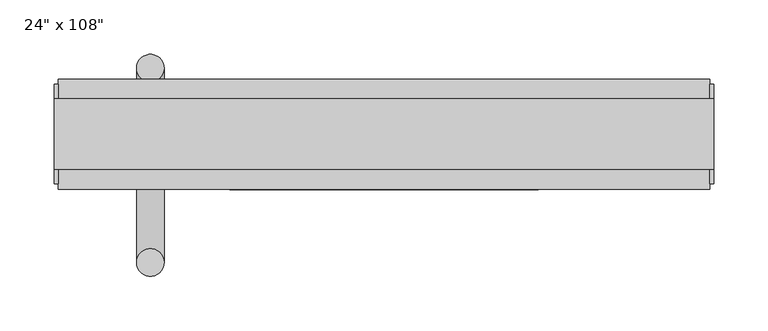
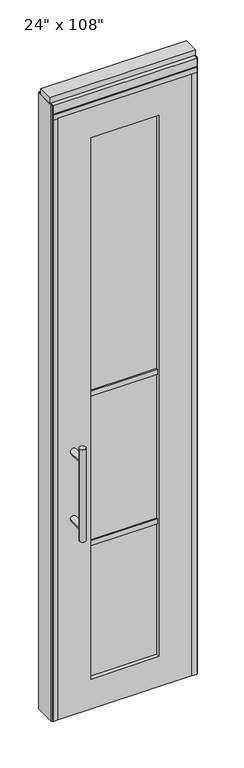
"""IFC4 building model written with IfcOpenShell, lengths in millimetres: furniture geometry."""

from ifc_helpers import new_model, si_unit, frame, origin, origin_with_axes, place, context, project, spatial, polyline, circle_curve, ellipse_curve, outline, extrude, source, transform, mapped, element, save
from ifc_brep_helpers import plane_surface, cylinder_surface, advanced_brep


def furniture_c3a92f02(model_context):
    return source(origin(), model_context, "Body", "SolidModel", [
        advanced_brep(
        [(-288.6365229, 56.6962784, 1219.2), (-263.2365229, 56.6962784, 1219.2), (-288.6365229, 56.6962784, 812.8), (-263.2365229, 56.6962784, 812.8), (-263.2365229, 56.6962784, 1164.336), (-263.2365229, 56.6962784, 867.664), (-288.6365229, 56.6962784, 867.664), (-288.6365229, 56.6962784, 1164.336), (-288.6365229, -10.8677216, 1164.336), (-263.2365229, -10.8677216, 1164.336), (-288.6365229, -10.8677216, 867.664), (-263.2365229, -10.8677216, 867.664)],
        [
            (0, 1, circle_curve(frame((-275.9365229, 56.6962784, 1219.2), z_axis=(0.0, 0.0, 1.0), x_axis=(1.0, 0.0, 0.0)), 12.7)),
            (1, 0, circle_curve(frame((-275.9365229, 56.6962784, 1219.2), z_axis=(0.0, 0.0, 1.0), x_axis=(1.0, 0.0, 0.0)), 12.7)),
            (2, 3, circle_curve(frame((-275.9365229, 56.6962784, 812.8), z_axis=(0.0, 0.0, -1.0), x_axis=(1.0, 0.0, 0.0)), 12.7)),
            (3, 2, circle_curve(frame((-275.9365229, 56.6962784, 812.8), z_axis=(0.0, 0.0, -1.0), x_axis=(1.0, 0.0, 0.0)), 12.7)),
            (1, 4),
            (4, 5),
            (5, 3),
            (2, 6),
            (6, 7),
            (7, 0),
            (6, 5, ellipse_curve(frame((-275.9365229, 56.6962784, 867.664), z_axis=(0.0, 0.707106781186565, 0.70710678118653), x_axis=(0.0, -0.70710678118653, 0.707106781186565)), 17.9605122, 12.7)),
            (4, 7, ellipse_curve(frame((-275.9365229, 56.6962784, 1164.336), z_axis=(0.0, 0.70710678118653, -0.7071067811865649), x_axis=(0.0, 0.7071067811865648, 0.7071067811865301)), 17.9605122, 12.7)),
            (7, 4, ellipse_curve(frame((-275.9365229, 56.6962784, 1164.336), z_axis=(0.0, 0.707106781186565, 0.70710678118653), x_axis=(0.0, -0.70710678118653, 0.707106781186565)), 17.9605122, 12.7)),
            (5, 6, ellipse_curve(frame((-275.9365229, 56.6962784, 867.664), z_axis=(0.0, 0.70710678118653, -0.7071067811865649), x_axis=(0.0, 0.7071067811865648, 0.7071067811865301)), 17.9605122, 12.7)),
            (8, 9, circle_curve(frame((-275.9365229, -10.8677216, 1164.336), z_axis=(0.0, -1.0, 0.0), x_axis=(1.0, 0.0, 0.0)), 12.7)),
            (9, 8, circle_curve(frame((-275.9365229, -10.8677216, 1164.336), z_axis=(0.0, -1.0, 0.0), x_axis=(1.0, 0.0, 0.0)), 12.7)),
            (8, 7),
            (4, 9),
            (10, 11, circle_curve(frame((-275.9365229, -10.8677216, 867.664), z_axis=(0.0, -1.0, 0.0), x_axis=(1.0, 0.0, 0.0)), 12.7)),
            (11, 10, circle_curve(frame((-275.9365229, -10.8677216, 867.664), z_axis=(0.0, -1.0, 0.0), x_axis=(1.0, 0.0, 0.0)), 12.7)),
            (10, 6),
            (5, 11),
        ],
        [
            plane_surface(frame((-263.2365229, 56.6962784, 1219.2), z_axis=(0.0, 0.0, 1.0), x_axis=(0.0, -1.0, 0.0))),
            plane_surface(frame((-263.2365229, 56.6962784, 812.8), z_axis=(0.0, 0.0, -1.0), x_axis=(0.0, 1.0, 0.0))),
            cylinder_surface(frame((-275.9365229, 56.6962784, 812.8), z_axis=(0.0, 0.0, 1.0), x_axis=(1.0, 0.0, 0.0)), 12.7),
            plane_surface(frame((-263.2365229, -10.8677216, 1164.336), z_axis=(0.0, -1.0, 0.0), x_axis=(0.0, 0.0, -1.0))),
            cylinder_surface(frame((-275.9365229, -10.8677216, 1164.336), z_axis=(0.0, 1.0, 0.0), x_axis=(1.0, 0.0, 0.0)), 12.7),
            plane_surface(frame((-263.2365229, -10.8677216, 867.664), z_axis=(0.0, -1.0, 0.0), x_axis=(0.0, 0.0, -1.0))),
            cylinder_surface(frame((-275.9365229, -10.8677216, 867.664), z_axis=(0.0, 1.0, 0.0), x_axis=(1.0, 0.0, 0.0)), 12.7),
        ],
        [
            (0, [[1, 2]]),
            (1, [[3, 4]]),
            (2, [[5, 6, 7, -3, 8, 9, 10, -2]]),
            (2, [[-9, 11, -6, 12]]),
            (2, [[-10, 13, -5, -1]]),
            (2, [[-7, 14, -8, -4]]),
            (3, [[15, 16]]),
            (4, [[17, -12, 18, -15]]),
            (4, [[-18, -13, -17, -16]]),
            (5, [[19, 20]]),
            (6, [[21, -14, 22, -19]]),
            (6, [[-22, -11, -21, -20]]),
        ],
    ),
        advanced_brep(
        [(-288.6365229, -122.8817216, 1219.2), (-263.2365229, -122.8817216, 1219.2), (-288.6365229, -122.8817216, 812.8), (-263.2365229, -122.8817216, 812.8), (-288.6365229, -122.8817216, 1164.336), (-288.6365229, -122.8817216, 867.664), (-263.2365229, -122.8817216, 867.664), (-263.2365229, -122.8817216, 1164.336), (-288.6365229, -55.3177216, 1164.336), (-263.2365229, -55.3177216, 1164.336), (-288.6365229, -55.3177216, 867.664), (-263.2365229, -55.3177216, 867.664)],
        [
            (0, 1, circle_curve(frame((-275.9365229, -122.8817216, 1219.2), z_axis=(0.0, 0.0, 1.0), x_axis=(1.0, 0.0, 0.0)), 12.7)),
            (1, 0, circle_curve(frame((-275.9365229, -122.8817216, 1219.2), z_axis=(0.0, 0.0, 1.0), x_axis=(1.0, 0.0, 0.0)), 12.7)),
            (2, 3, circle_curve(frame((-275.9365229, -122.8817216, 812.8), z_axis=(0.0, 0.0, -1.0), x_axis=(1.0, 0.0, 0.0)), 12.7)),
            (3, 2, circle_curve(frame((-275.9365229, -122.8817216, 812.8), z_axis=(0.0, 0.0, -1.0), x_axis=(1.0, 0.0, 0.0)), 12.7)),
            (0, 4),
            (4, 5),
            (5, 2),
            (3, 6),
            (6, 7),
            (7, 1),
            (7, 4, ellipse_curve(frame((-275.9365229, -122.8817216, 1164.336), z_axis=(0.0, -0.707106781186565, 0.70710678118653), x_axis=(0.0, 0.70710678118653, 0.707106781186565)), 17.9605122, 12.7)),
            (5, 6, ellipse_curve(frame((-275.9365229, -122.8817216, 867.664), z_axis=(0.0, -0.70710678118653, -0.7071067811865649), x_axis=(0.0, -0.7071067811865648, 0.7071067811865301)), 17.9605122, 12.7)),
            (4, 7, ellipse_curve(frame((-275.9365229, -122.8817216, 1164.336), z_axis=(0.0, -0.70710678118653, -0.7071067811865649), x_axis=(0.0, -0.7071067811865648, 0.7071067811865301)), 17.9605122, 12.7)),
            (6, 5, ellipse_curve(frame((-275.9365229, -122.8817216, 867.664), z_axis=(0.0, -0.707106781186565, 0.70710678118653), x_axis=(0.0, 0.70710678118653, 0.707106781186565)), 17.9605122, 12.7)),
            (8, 9, circle_curve(frame((-275.9365229, -55.3177216, 1164.336), z_axis=(0.0, 1.0, 0.0), x_axis=(1.0, 0.0, 0.0)), 12.7)),
            (9, 8, circle_curve(frame((-275.9365229, -55.3177216, 1164.336), z_axis=(0.0, 1.0, 0.0), x_axis=(1.0, 0.0, 0.0)), 12.7)),
            (9, 7),
            (4, 8),
            (10, 11, circle_curve(frame((-275.9365229, -55.3177216, 867.664), z_axis=(0.0, 1.0, 0.0), x_axis=(1.0, 0.0, 0.0)), 12.7)),
            (11, 10, circle_curve(frame((-275.9365229, -55.3177216, 867.664), z_axis=(0.0, 1.0, 0.0), x_axis=(1.0, 0.0, 0.0)), 12.7)),
            (11, 6),
            (5, 10),
        ],
        [
            plane_surface(frame((-263.2365229, -122.8817216, 1219.2), z_axis=(0.0, 0.0, 1.0), x_axis=(0.0, 1.0, 0.0))),
            plane_surface(frame((-263.2365229, -122.8817216, 812.8), z_axis=(0.0, 0.0, -1.0), x_axis=(0.0, -1.0, 0.0))),
            cylinder_surface(frame((-275.9365229, -122.8817216, 812.8), z_axis=(0.0, 0.0, 1.0), x_axis=(1.0, 0.0, 0.0)), 12.7),
            plane_surface(frame((-263.2365229, -55.3177216, 1164.336), z_axis=(0.0, 1.0, 0.0), x_axis=(0.0, 0.0, -1.0))),
            cylinder_surface(frame((-275.9365229, -55.3177216, 1164.336), z_axis=(0.0, -1.0, 0.0), x_axis=(1.0, 0.0, 0.0)), 12.7),
            plane_surface(frame((-263.2365229, -55.3177216, 867.664), z_axis=(0.0, 1.0, 0.0), x_axis=(0.0, 0.0, -1.0))),
            cylinder_surface(frame((-275.9365229, -55.3177216, 867.664), z_axis=(0.0, -1.0, 0.0), x_axis=(1.0, 0.0, 0.0)), 12.7),
        ],
        [
            (0, [[1, 2]]),
            (1, [[3, 4]]),
            (2, [[-1, 5, 6, 7, -4, 8, 9, 10]]),
            (2, [[-2, -10, 11, -5]]),
            (2, [[-3, -7, 12, -8]]),
            (2, [[13, -9, 14, -6]]),
            (3, [[15, 16]]),
            (4, [[-16, 17, -13, 18]]),
            (4, [[-15, -18, -11, -17]]),
            (5, [[19, 20]]),
            (6, [[-20, 21, -12, 22]]),
            (6, [[-19, -22, -14, -21]]),
        ],
    ),
        extrude(outline(polyline([(-202.6575229, -44.2052216), (-202.6575229, -21.9802216), (82.5844771, -21.9802216), (82.5844771, -44.2052216), (-202.6575229, -44.2052216)])), frame((0.0, 0.0, 1371.6), z_axis=(0.0, 0.0, 1.0), x_axis=(1.0, 0.0, 0.0)), (0.0, 0.0, 1.0), 22.225),
        extrude(outline(polyline([(-202.6575229, -44.2052216), (-202.6575229, -21.9802216), (82.5844771, -21.9802216), (82.5844771, -44.2052216), (-202.6575229, -44.2052216)])), frame((0.0, 0.0, 711.2), z_axis=(0.0, 0.0, 1.0), x_axis=(1.0, 0.0, 0.0)), (0.0, 0.0, 1.0), 22.225),
        extrude(outline(polyline([(82.5844771, -38.1727216), (-202.6575229, -38.1727216), (-202.6575229, -28.0127216), (82.5844771, -28.0127216), (82.5844771, -38.1727216)])), frame((0.0, 0.0, 132.969), z_axis=(0.0, 0.0, 1.0), x_axis=(1.0, 0.0, 0.0)), (0.0, 0.0, 1.0), 2388.362),
        extrude(outline(polyline([(2654.3, 218.6014771), (2654.3, -338.6745229), (0.0, -338.6745229), (0.0, 218.6014771), (2654.3, 218.6014771)]), holes=[polyline([(2521.331, 82.5844771), (132.969, 82.5844771), (132.969, -202.6575229), (2521.331, -202.6575229), (2521.331, 82.5844771)])]), frame((0.0, -55.3177216, 0.0), z_axis=(0.0, 1.0, 0.0), x_axis=(0.0, 0.0, 1.0)), (0.0, 0.0, 1.0), 44.45),
        extrude(outline(polyline([(-360.8995229, -55.3177216), (-360.8995229, 46.2822784), (240.8264771, 46.2822784), (240.8264771, -55.3177216), (-360.8995229, -55.3177216)])), frame((0.0, 0.0, 2654.3), z_axis=(0.0, 0.0, 1.0), x_axis=(1.0, 0.0, 0.0)), (0.0, 0.0, 1.0), 22.225),
        extrude(outline(polyline([(244.7634771, -50.3647216), (240.8264771, -50.3647216), (240.8264771, 41.3292784), (244.7634771, 41.3292784), (244.7634771, -50.3647216)])), origin_with_axes(), (0.0, 0.0, 1.0), 2717.8),
        extrude(outline(polyline([(-364.8365229, -50.3647216), (-364.8365229, 41.3292784), (-360.8995229, 41.3292784), (-360.8995229, -50.3647216), (-364.8365229, -50.3647216)])), origin_with_axes(), (0.0, 0.0, 1.0), 2717.8),
        extrude(outline(polyline([(218.6014771, -55.3177216), (218.6014771, 46.2822784), (240.8264771, 46.2822784), (240.8264771, -55.3177216), (218.6014771, -55.3177216)])), origin_with_axes(), (0.0, 0.0, 1.0), 2654.3),
        extrude(outline(polyline([(-338.6745229, -55.3177216), (-360.8995229, -55.3177216), (-360.8995229, 46.2822784), (-338.6745229, 46.2822784), (-338.6745229, -55.3177216)])), origin_with_axes(), (0.0, 0.0, 1.0), 2654.3),
        extrude(outline(polyline([(-55.3177216, 2681.478), (-55.3177216, 2717.8), (46.2822784, 2717.8), (46.2822784, 2681.478), (41.3292784, 2681.478), (41.3292784, 2676.525), (-50.3647216, 2676.525), (-50.3647216, 2681.478), (-55.3177216, 2681.478)])), frame((-360.8995229, 0.0, 0.0), z_axis=(1.0, 0.0, 0.0), x_axis=(0.0, 1.0, 0.0)), (0.0, 0.0, 1.0), 601.726),
        extrude(outline(polyline([(-364.8365229, -37.0297216), (-364.8365229, 27.9942784), (244.7634771, 27.9942784), (244.7634771, -37.0297216), (-364.8365229, -37.0297216)])), frame((0.0, 0.0, 2717.8), z_axis=(0.0, 0.0, 1.0), x_axis=(1.0, 0.0, 0.0)), (0.0, 0.0, 1.0), 25.4),
    ])


if __name__ == "__main__":
    model = new_model("IFC4")
    model_context = context("Model", 3, world=origin())
    ifc_project = project(units=[si_unit("LENGTHUNIT", "METRE", prefix="MILLI")], contexts=[model_context])
    site = spatial("IfcSite", under=ifc_project)
    building = spatial("IfcBuilding", under=site)
    placement = place(None, origin())
    furniture_shape = furniture_c3a92f02(model_context)
    element("IfcFurniture", 1, ObjectType="24\" x 108\"", at=placement, inside=building, context=model_context, shape_type="MappedRepresentation", body=[
        mapped(furniture_shape, transform((0.0, 0.0, 0.0), x_axis=(1.0, 0.0, 0.0), y_axis=(0.0, 1.0, 0.0), z_axis=(0.0, 0.0, 1.0))),
    ])
    save(model, "model.ifc")
